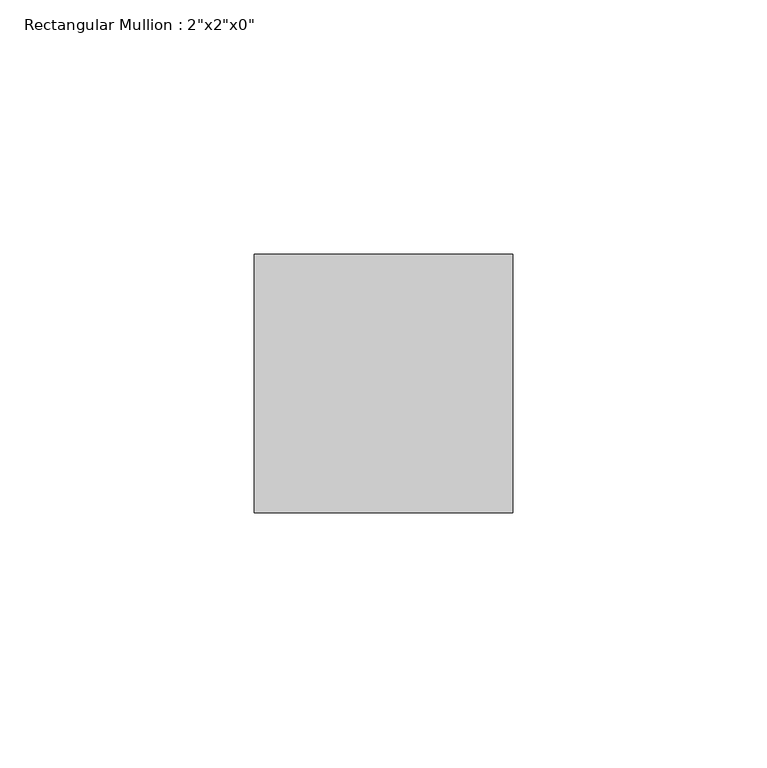
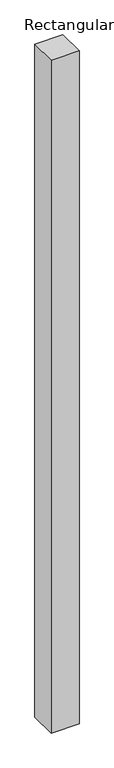
"""IFC4 building model written with IfcOpenShell, lengths in millimetres: member geometry."""

from ifc_helpers import new_model, si_unit, frame, origin, place, context, project, spatial, polyline, outline, extrude, source, transform, mapped, element, save


def member_b513c0ab(model_context):
    return source(origin(), model_context, "Body", "SweptSolid", [
        extrude(outline(polyline([(25.4, 25.4), (25.4, -25.4), (-25.4, -25.4), (-25.4, 25.4), (25.4, 25.4)])), frame((0.0, 0.0, -1290.1649297), z_axis=(0.0, 0.0, 1.0), x_axis=(1.0, 0.0, 0.0)), (0.0, 0.0, 1.0), 1290.1649297),
    ])


if __name__ == "__main__":
    model = new_model("IFC4")
    model_context = context("Model", 3, world=origin())
    ifc_project = project(units=[si_unit("LENGTHUNIT", "METRE", prefix="MILLI")], contexts=[model_context])
    site = spatial("IfcSite", under=ifc_project)
    building = spatial("IfcBuilding", under=site)
    placement = place(None, origin())
    member_shape = member_b513c0ab(model_context)
    element("IfcMember", 1, ObjectType="Rectangular Mullion : 2\"x2\"x0\"", at=placement, inside=building, context=model_context, shape_type="MappedRepresentation", body=[
        mapped(member_shape, transform((0.0, 0.0, 0.0), x_axis=(1.0, 0.0, 0.0), y_axis=(0.0, 1.0, 0.0), z_axis=(0.0, 0.0, 1.0))),
    ])
    save(model, "model.ifc")
